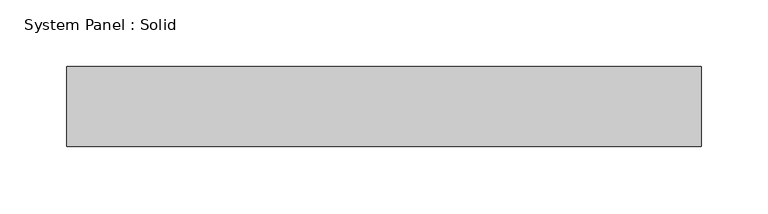
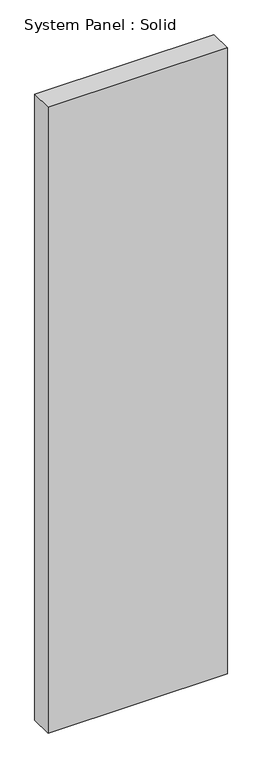
"""IFC4 building model written with IfcOpenShell, lengths in millimetres: plate geometry, System Panel : Solid."""

from ifc_helpers import new_model, si_unit, origin, origin_with_axes, place, context, project, spatial, polyline, outline, extrude, source, transform, mapped, element, save


def system_panel_solid_e639be18(model_context):
    return source(origin(), model_context, "Body", "SweptSolid", [
        extrude(outline(polyline([(237.4996295, -49.5), (-237.4996295, -49.5), (-237.4996295, 10.5), (237.4996295, 10.5), (237.4996295, -49.5)])), origin_with_axes(), (0.0, 0.0, 1.0), 1750.0),
    ])


if __name__ == "__main__":
    model = new_model("IFC4")
    model_context = context("Model", 3, world=origin())
    ifc_project = project(units=[si_unit("LENGTHUNIT", "METRE", prefix="MILLI")], contexts=[model_context])
    site = spatial("IfcSite", under=ifc_project)
    building = spatial("IfcBuilding", under=site)
    placement = place(None, origin())
    system_panel_solid_shape = system_panel_solid_e639be18(model_context)
    element("IfcPlate", 1, ObjectType="System Panel : Solid", at=placement, inside=building, context=model_context, shape_type="MappedRepresentation", body=[
        mapped(system_panel_solid_shape, transform((0.0, 0.0, 0.0), x_axis=(1.0, 0.0, 0.0), y_axis=(0.0, 1.0, 0.0), z_axis=(0.0, 0.0, 1.0))),
    ])
    save(model, "model.ifc")
